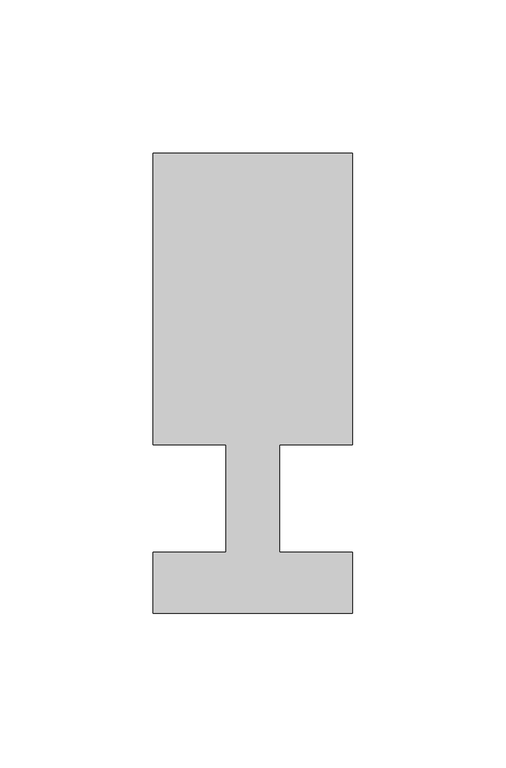
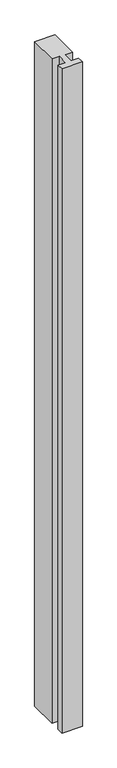
"""IFC4 building model written with IfcOpenShell, lengths in millimetres: member geometry."""

from ifc_helpers import new_model, si_unit, frame, origin, place, context, project, spatial, polyline, outline, extrude, source, transform, mapped, element, save


def member_b0ac2eea(model_context):
    return source(origin(), model_context, "Body", "SweptSolid", [
        extrude(outline(polyline([(0.0, -37.0), (-65.0, -37.0), (-65.0, -17.0), (-41.1875, -17.0), (-41.1875, 18.0), (-65.0, 18.0), (-65.0, 113.0), (0.0, 113.0), (0.0, 18.0), (-23.8125, 18.0), (-23.8125, -17.0), (0.0, -17.0), (0.0, -37.0)])), frame((0.0, 0.0, -2235.0), z_axis=(0.0, 0.0, 1.0), x_axis=(1.0, 0.0, 0.0)), (0.0, 0.0, 1.0), 2235.0),
    ])


if __name__ == "__main__":
    model = new_model("IFC4")
    model_context = context("Model", 3, world=origin())
    ifc_project = project(units=[si_unit("LENGTHUNIT", "METRE", prefix="MILLI")], contexts=[model_context])
    site = spatial("IfcSite", under=ifc_project)
    building = spatial("IfcBuilding", under=site)
    placement = place(None, origin())
    member_shape = member_b0ac2eea(model_context)
    element("IfcMember", 1, at=placement, inside=building, context=model_context, shape_type="MappedRepresentation", body=[
        mapped(member_shape, transform((0.0, 0.0, 0.0), x_axis=(1.0, 0.0, 0.0), y_axis=(0.0, 1.0, 0.0), z_axis=(0.0, 0.0, 1.0))),
    ])
    save(model, "model.ifc")
